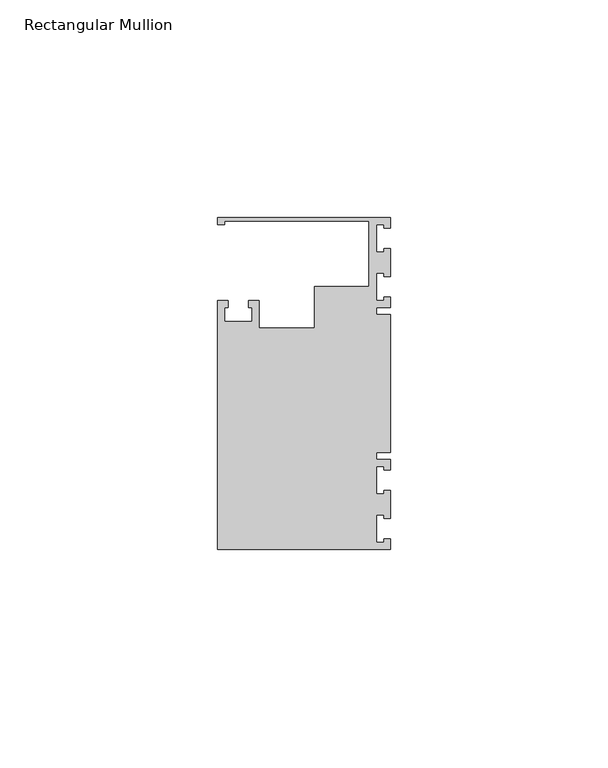
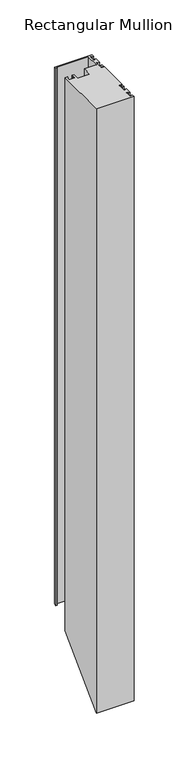
"""IFC4 building model written with IfcOpenShell, lengths in millimetres: member geometry, Rectangular Mullion."""

from ifc_helpers import new_model, si_unit, origin, place, context, project, spatial, faceted_brep, source, transform, mapped, element, save


def rectangular_mullion_3c79107b(model_context):
    return source(origin(), model_context, "Body", "Brep", [
        faceted_brep([(0.0, 38.1, 0.0), (-39.6875, 38.1, 0.0), (-39.6875, 36.5125, 0.0), (-38.1, 36.5125, 0.0), (-38.1, 37.30625, 0.0), (-4.8585733, 37.30625, 0.0), (-4.8585733, 22.225, 0.0), (-17.4625, 22.225, 0.0), (-17.4625, 12.6999969, 0.0), (-30.1625, 12.6999969, 0.0), (-30.1625, 19.05, 0.0), (-32.54375, 19.05, 0.0), (-32.54375, 17.4625, 0.0), (-31.75, 17.4625, 0.0), (-31.75, 14.2875, 0.0), (-38.1, 14.2875, 0.0), (-38.1, 17.4625, 0.0), (-37.30625, 17.4625, 0.0), (-37.30625, 19.05, 0.0), (-39.6875, 19.05, 0.0), (-39.6875, -38.1, 0.0), (0.0, -38.1, 0.0), (0.0, -35.71875, 0.0), (-1.4999946, -35.71875, 0.0), (-1.4999946, -36.5125, 0.0), (-3.175, -36.5125, 0.0), (-3.175, -30.1625, 0.0), (-1.4999946, -30.1625, 0.0), (-1.4999946, -30.95625, 0.0), (0.0, -30.95625, 0.0), (0.0, -24.60625, 0.0), (-1.4999946, -24.60625, 0.0), (-1.4999946, -25.4, 0.0), (-3.175, -25.4, 0.0), (-3.175, -19.05, 0.0), (-1.4999946, -19.05, 0.0), (-1.4999946, -19.84375, 0.0), (0.0, -19.84375, 0.0), (0.0, -17.4625, 0.0), (-3.175, -17.4625, 0.0), (-3.175, -15.875, 0.0), (0.0, -15.875, 0.0), (0.0, 15.875, 0.0), (-3.175, 15.875, 0.0), (-3.175, 17.4625, 0.0), (0.0, 17.4625, 0.0), (0.0, 19.84375, 0.0), (-1.4999946, 19.84375, 0.0), (-1.4999946, 19.05, 0.0), (-3.175, 19.05, 0.0), (-3.175, 25.4, 0.0), (-1.4999946, 25.4, 0.0), (-1.4999946, 24.60625, 0.0), (0.0, 24.60625, 0.0), (0.0, 30.95625, 0.0), (-1.4999946, 30.95625, 0.0), (-1.4999946, 30.1625, 0.0), (-3.175, 30.1625, 0.0), (-3.175, 36.5125, 0.0), (-1.4999946, 36.5125, 0.0), (-1.4999946, 35.71875, 0.0), (0.0, 35.71875, 0.0), (0.0, 38.1, -596.9), (-39.6875, 38.1, -596.9), (-39.6875, 36.5125, -598.4875), (-38.1, 36.5125, -598.4875), (-38.1, 37.30625, -597.69375), (-4.8585733, 37.30625, -597.69375), (-4.8585733, 22.225, -612.775), (-17.4625, 22.225, -612.775), (-17.4625, 12.6999969, -622.3000031), (-30.1625, 12.6999969, -622.3000031), (-30.1625, 19.05, -615.95), (-32.54375, 19.05, -615.95), (-32.54375, 17.4625, -617.5375), (-31.75, 17.4625, -617.5375), (-31.75, 14.2875, -620.7125), (-38.1, 14.2875, -620.7125), (-38.1, 17.4625, -617.5375), (-37.30625, 17.4625, -617.5375), (-37.30625, 19.05, -615.95), (-39.6875, 19.05, -615.95), (-39.6875, -38.1, -673.1), (0.0, -38.1, -673.1), (0.0, -35.71875, -670.71875), (-1.4999946, -35.71875, -670.71875), (-1.4999946, -36.5125, -671.5125), (-3.175, -36.5125, -671.5125), (-3.175, -30.1625, -665.1625), (-1.4999946, -30.1625, -665.1625), (-1.4999946, -30.95625, -665.95625), (0.0, -30.95625, -665.95625), (0.0, -24.60625, -659.60625), (-1.4999946, -24.60625, -659.60625), (-1.4999946, -25.4, -660.4), (-3.175, -25.4, -660.4), (-3.175, -19.05, -654.05), (-1.4999946, -19.05, -654.05), (-1.4999946, -19.84375, -654.84375), (0.0, -19.84375, -654.84375), (0.0, -17.4625, -652.4625), (-3.175, -17.4625, -652.4625), (-3.175, -15.875, -650.875), (0.0, -15.875, -650.875), (0.0, 15.875, -619.125), (-3.175, 15.875, -619.125), (-3.175, 17.4625, -617.5375), (0.0, 17.4625, -617.5375), (0.0, 19.84375, -615.15625), (-1.4999946, 19.84375, -615.15625), (-1.4999946, 19.05, -615.95), (-3.175, 19.05, -615.95), (-3.175, 25.4, -609.6), (-1.4999946, 25.4, -609.6), (-1.4999946, 24.60625, -610.39375), (0.0, 24.60625, -610.39375), (0.0, 30.95625, -604.04375), (-1.4999946, 30.95625, -604.04375), (-1.4999946, 30.1625, -604.8375), (-3.175, 30.1625, -604.8375), (-3.175, 36.5125, -598.4875), (-1.4999946, 36.5125, -598.4875), (-1.4999946, 35.71875, -599.28125), (0.0, 35.71875, -599.28125)], [[[0, 1, 2, 3, 4, 5, 6, 7, 8, 9, 10, 11, 12, 13, 14, 15, 16, 17, 18, 19, 20, 21, 22, 23, 24, 25, 26, 27, 28, 29, 30, 31, 32, 33, 34, 35, 36, 37, 38, 39, 40, 41, 42, 43, 44, 45, 46, 47, 48, 49, 50, 51, 52, 53, 54, 55, 56, 57, 58, 59, 60, 61]], [[1, 0, 62, 63]], [[2, 1, 63, 64]], [[3, 2, 64, 65]], [[4, 3, 65, 66]], [[5, 4, 66, 67]], [[6, 5, 67, 68]], [[7, 6, 68, 69]], [[8, 7, 69, 70]], [[9, 8, 70, 71]], [[10, 9, 71, 72]], [[11, 10, 72, 73]], [[12, 11, 73, 74]], [[13, 12, 74, 75]], [[14, 13, 75, 76]], [[15, 14, 76, 77]], [[16, 15, 77, 78]], [[17, 16, 78, 79]], [[18, 17, 79, 80]], [[19, 18, 80, 81]], [[20, 19, 81, 82]], [[21, 20, 82, 83]], [[22, 21, 83, 84]], [[23, 22, 84, 85]], [[24, 23, 85, 86]], [[25, 24, 86, 87]], [[26, 25, 87, 88]], [[27, 26, 88, 89]], [[28, 27, 89, 90]], [[29, 28, 90, 91]], [[30, 29, 91, 92]], [[31, 30, 92, 93]], [[32, 31, 93, 94]], [[33, 32, 94, 95]], [[34, 33, 95, 96]], [[35, 34, 96, 97]], [[36, 35, 97, 98]], [[37, 36, 98, 99]], [[38, 37, 99, 100]], [[39, 38, 100, 101]], [[40, 39, 101, 102]], [[41, 40, 102, 103]], [[42, 41, 103, 104]], [[43, 42, 104, 105]], [[44, 43, 105, 106]], [[45, 44, 106, 107]], [[46, 45, 107, 108]], [[47, 46, 108, 109]], [[48, 47, 109, 110]], [[49, 48, 110, 111]], [[50, 49, 111, 112]], [[51, 50, 112, 113]], [[52, 51, 113, 114]], [[53, 52, 114, 115]], [[54, 53, 115, 116]], [[55, 54, 116, 117]], [[56, 55, 117, 118]], [[57, 56, 118, 119]], [[58, 57, 119, 120]], [[59, 58, 120, 121]], [[60, 59, 121, 122]], [[61, 60, 122, 123]], [[0, 61, 123, 62]], [[62, 123, 122, 121, 120, 119, 118, 117, 116, 115, 114, 113, 112, 111, 110, 109, 108, 107, 106, 105, 104, 103, 102, 101, 100, 99, 98, 97, 96, 95, 94, 93, 92, 91, 90, 89, 88, 87, 86, 85, 84, 83, 82, 81, 80, 79, 78, 77, 76, 75, 74, 73, 72, 71, 70, 69, 68, 67, 66, 65, 64, 63]]]),
    ])


if __name__ == "__main__":
    model = new_model("IFC4")
    model_context = context("Model", 3, world=origin())
    ifc_project = project(units=[si_unit("LENGTHUNIT", "METRE", prefix="MILLI")], contexts=[model_context])
    site = spatial("IfcSite", under=ifc_project)
    building = spatial("IfcBuilding", under=site)
    placement = place(None, origin())
    rectangular_mullion_shape = rectangular_mullion_3c79107b(model_context)
    element("IfcMember", 1, ObjectType="Rectangular Mullion", at=placement, inside=building, context=model_context, shape_type="MappedRepresentation", body=[
        mapped(rectangular_mullion_shape, transform((0.0, 0.0, 0.0), x_axis=(1.0, 0.0, 0.0), y_axis=(0.0, 1.0, 0.0), z_axis=(0.0, 0.0, 1.0))),
    ])
    save(model, "model.ifc")
